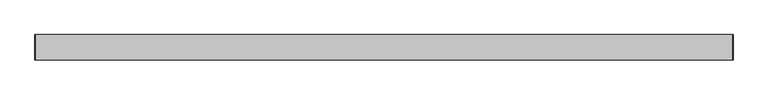
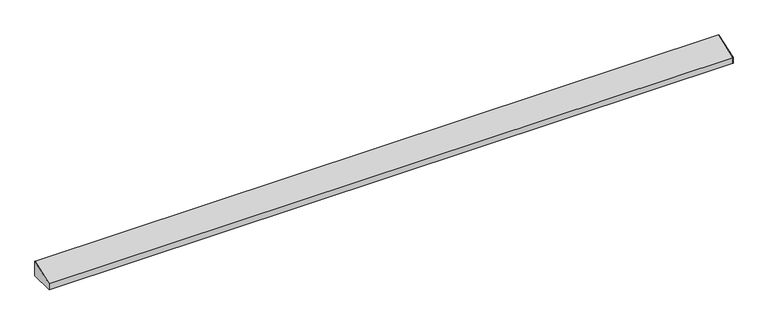
"""IFC4 building model written with IfcOpenShell, lengths in millimetres: furniture geometry."""

from ifc_helpers import new_model, si_unit, frame, origin, place, context, project, spatial, polyline, outline, extrude, source, transform, mapped, element, save


def furniture_27f47678(model_context):
    return source(origin(), model_context, "Body", "SweptSolid", [
        extrude(outline(polyline([(-97.4564662, 2143.5308766), (-21.2564662, 2170.7871875), (-21.2564662, 2124.7496875), (-97.4564663, 2124.7496875), (-97.4564662, 2143.5308766)])), frame((1071.2502049, 0.0, 0.0), z_axis=(1.0, 0.0, 0.0), x_axis=(0.0, 1.0, 0.0)), (0.0, 0.0, 1.0), 0.79375),
        extrude(outline(polyline([(-21.2564662, 2124.7496875), (-97.4564662, 2124.7496875), (-97.4564662, 2143.5308766), (-21.2564662, 2170.7871875), (-21.2564662, 2124.7496875)])), frame((-1034.5685451, 0.0, 0.0), z_axis=(1.0, 0.0, 0.0), x_axis=(0.0, 1.0, 0.0)), (0.0, 0.0, 1.0), 0.79375),
        extrude(outline(polyline([(-21.2564662, 2124.7496875), (-33.9564662, 2124.7496875), (-33.9564662, 2125.5434375), (-22.0502162, 2125.5434375), (-22.0502162, 2169.7045361), (-96.6627162, 2143.026028), (-96.6627162, 2125.5434375), (-84.7564662, 2125.5434375), (-84.7564662, 2124.7496875), (-97.4564662, 2124.7496875), (-97.4564662, 2143.5308766), (-21.2564662, 2170.7871875), (-21.2564662, 2124.7496875)])), frame((-1033.7747951, 0.0, 0.0), z_axis=(1.0, 0.0, 0.0), x_axis=(0.0, 1.0, 0.0)), (0.0, 0.0, 1.0), 2105.025),
    ])


if __name__ == "__main__":
    model = new_model("IFC4")
    model_context = context("Model", 3, world=origin())
    ifc_project = project(units=[si_unit("LENGTHUNIT", "METRE", prefix="MILLI")], contexts=[model_context])
    site = spatial("IfcSite", under=ifc_project)
    building = spatial("IfcBuilding", under=site)
    placement = place(None, origin())
    furniture_shape = furniture_27f47678(model_context)
    element("IfcFurniture", 1, at=placement, inside=building, context=model_context, shape_type="MappedRepresentation", body=[
        mapped(furniture_shape, transform((0.0, 0.0, 0.0), x_axis=(1.0, 0.0, 0.0), y_axis=(0.0, 1.0, 0.0), z_axis=(0.0, 0.0, 1.0))),
    ])
    save(model, "model.ifc")
